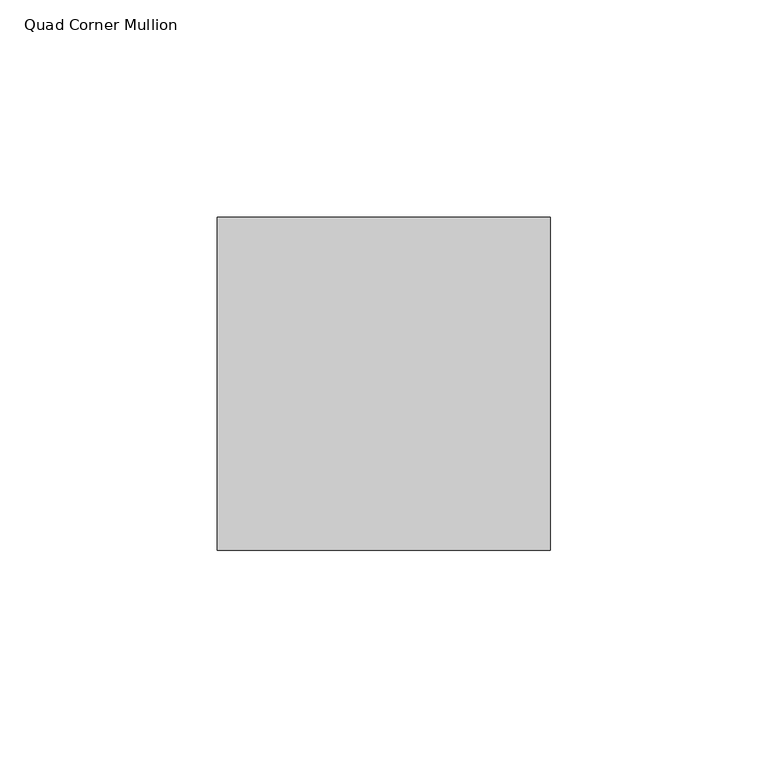
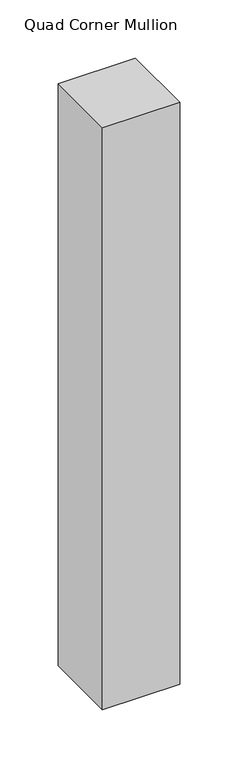
"""IFC4 building model written with IfcOpenShell, lengths in millimetres: member geometry, Quad Corner Mullion."""

from ifc_helpers import new_model, si_unit, frame, origin, place, context, project, spatial, polyline, outline, extrude, source, transform, mapped, element, save


def quad_corner_mullion_4067280e(model_context):
    return source(origin(), model_context, "Body", "SweptSolid", [
        extrude(outline(polyline([(38.1496094, -38.5464844), (-38.5464844, -38.5464844), (-38.5464844, 38.1496094), (38.1496094, 38.1496094), (38.1496094, -38.5464844)])), frame((0.0, 0.0, -612.7750377), z_axis=(0.0, 0.0, 1.0), x_axis=(1.0, 0.0, 0.0)), (0.0, 0.0, 1.0), 612.7750377),
    ])


if __name__ == "__main__":
    model = new_model("IFC4")
    model_context = context("Model", 3, world=origin())
    ifc_project = project(units=[si_unit("LENGTHUNIT", "METRE", prefix="MILLI")], contexts=[model_context])
    site = spatial("IfcSite", under=ifc_project)
    building = spatial("IfcBuilding", under=site)
    placement = place(None, origin())
    quad_corner_mullion_shape = quad_corner_mullion_4067280e(model_context)
    element("IfcMember", 1, ObjectType="Quad Corner Mullion", at=placement, inside=building, context=model_context, shape_type="MappedRepresentation", body=[
        mapped(quad_corner_mullion_shape, transform((0.0, 0.0, 0.0), x_axis=(1.0, 0.0, 0.0), y_axis=(0.0, 1.0, 0.0), z_axis=(0.0, 0.0, 1.0))),
    ])
    save(model, "model.ifc")
